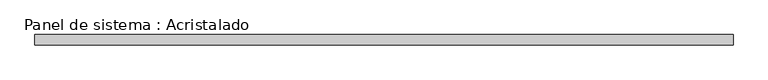
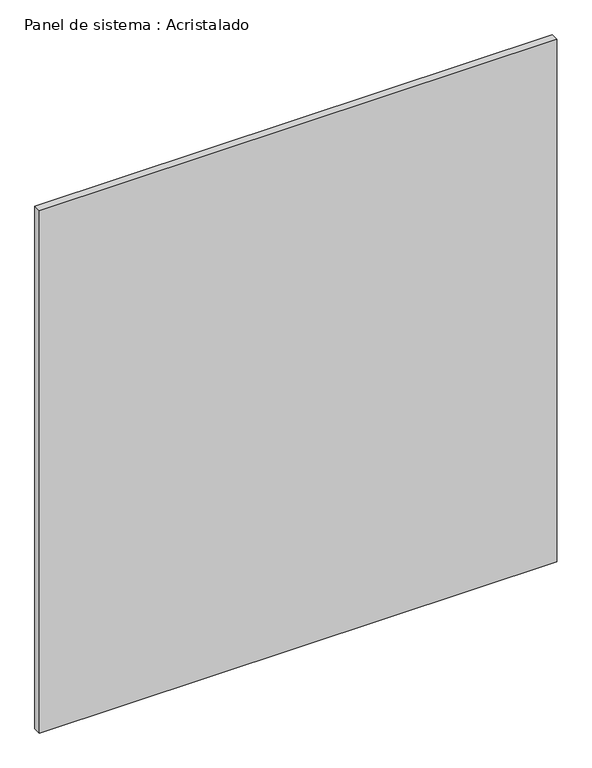
"""IFC4 building model written with IfcOpenShell, lengths in millimetres: plate geometry, Panel de sistema : Acristalado."""

from ifc_helpers import new_model, si_unit, origin, origin_with_axes, place, context, project, spatial, polyline, outline, extrude, source, transform, mapped, element, save


def panel_de_sistema_acristalado_14c339de(model_context):
    return source(origin(), model_context, "Body", "SweptSolid", [
        extrude(outline(polyline([(675.2208686, -10.0), (-675.2208686, -10.0), (-675.2208686, 10.0), (675.2208686, 10.0), (675.2208686, -10.0)])), origin_with_axes(), (0.0, 0.0, 1.0), 1441.0),
    ])


if __name__ == "__main__":
    model = new_model("IFC4")
    model_context = context("Model", 3, world=origin())
    ifc_project = project(units=[si_unit("LENGTHUNIT", "METRE", prefix="MILLI")], contexts=[model_context])
    site = spatial("IfcSite", under=ifc_project)
    building = spatial("IfcBuilding", under=site)
    placement = place(None, origin())
    panel_de_sistema_acristalado_shape = panel_de_sistema_acristalado_14c339de(model_context)
    element("IfcPlate", 1, ObjectType="Panel de sistema : Acristalado", at=placement, inside=building, context=model_context, shape_type="MappedRepresentation", body=[
        mapped(panel_de_sistema_acristalado_shape, transform((0.0, 0.0, 0.0), x_axis=(1.0, 0.0, 0.0), y_axis=(0.0, 1.0, 0.0), z_axis=(0.0, 0.0, 1.0))),
    ])
    save(model, "model.ifc")
